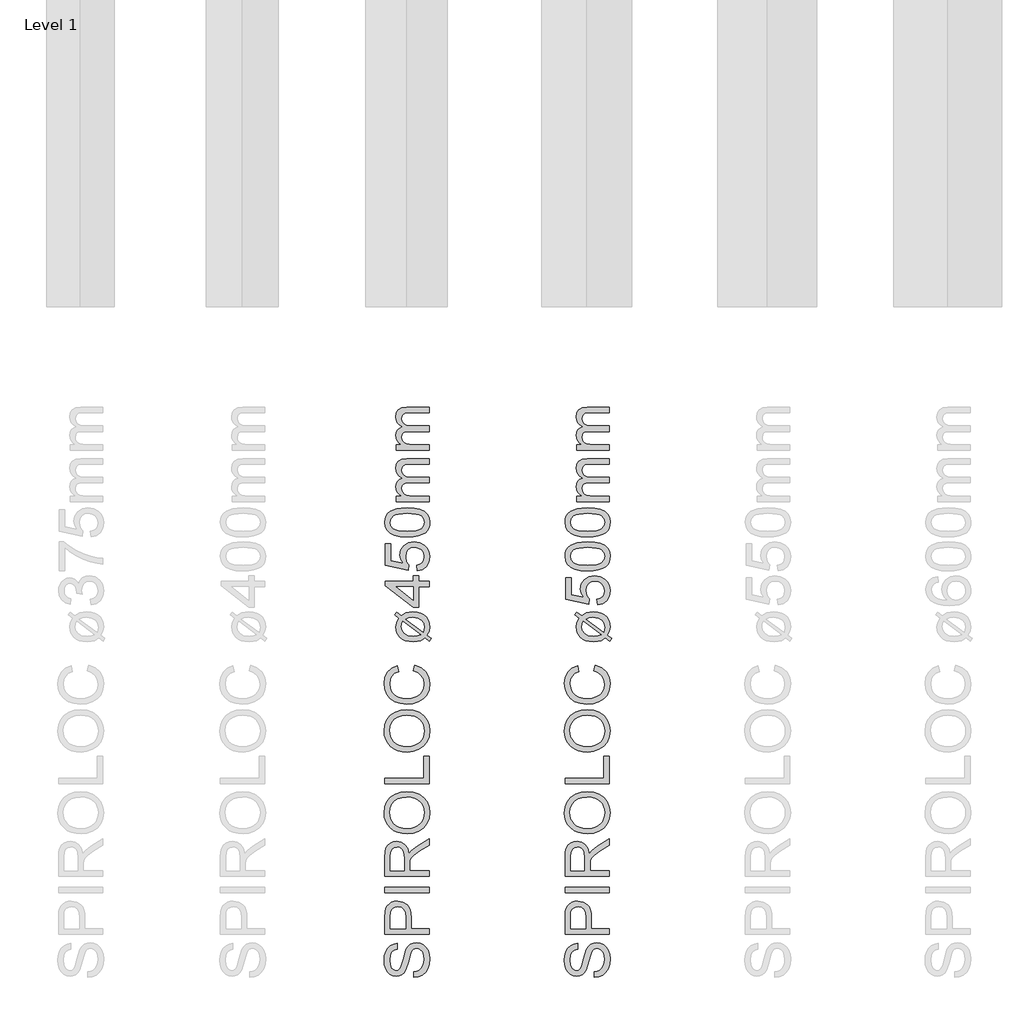
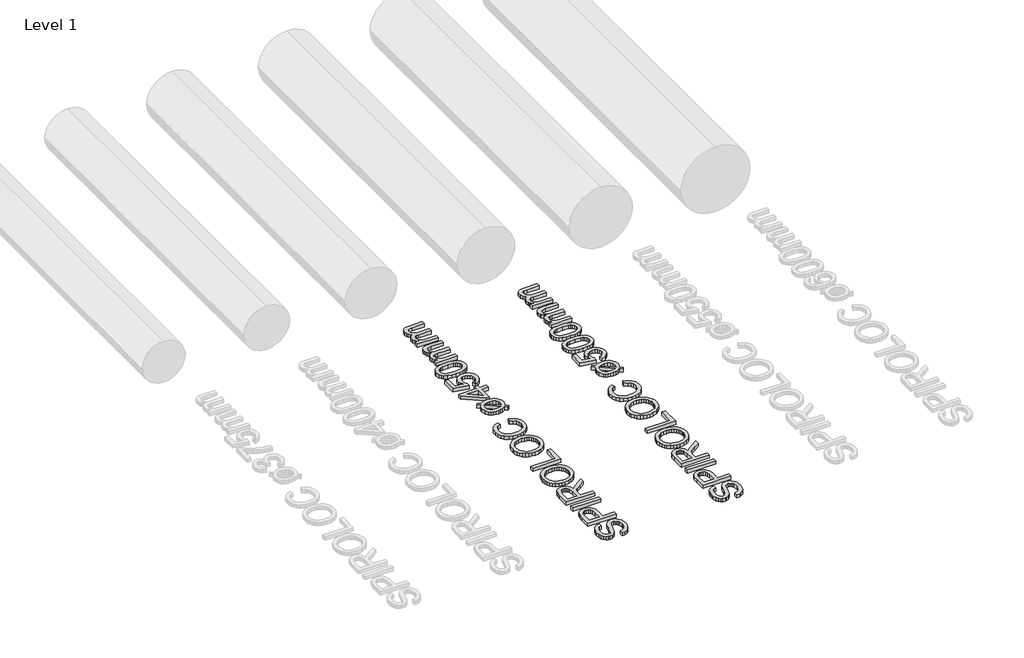
# One storey, part 10 of 19: 2 proxies.
"""IFC4 building model written with IfcOpenShell, lengths in millimetres."""

from ifc_helpers import new_model, si_unit, origin, origin_with_axes, place, context, project, spatial, polyline, outline, extrude, element, save

model = new_model("IFC4")

# Units and contexts
model_context = context("Model", 3, world=origin())
ifc_project = project(units=[si_unit("LENGTHUNIT", "METRE", prefix="MILLI")], contexts=[model_context])

# Site, building, storey
site = spatial("IfcSite", under=ifc_project)
building = spatial("IfcBuilding", under=site)
storey = spatial("IfcBuildingStorey", under=building, Name="Level 1", Elevation=0.0)

# Proxies
placement = place(None, origin())
element("IfcBuildingElementProxy", 1, Name="250mm", ObjectType="250mm", at=placement, inside=storey, context=model_context, shape_type="SweptSolid", body=[
    extrude(outline(polyline([(12325.8043383, -1501.7841772), (12325.8043383, -1471.0149464), (12342.8791581, -1467.4842974), (12356.6036172, -1461.099081), (12367.4960451, -1451.1381435), (12376.074771, -1436.880331), (12381.6411773, -1419.4524464), (12383.496646, -1399.9812926), (12377.8776557, -1367.8298502), (12371.2069826, -1355.6678911), (12362.4329441, -1347.0666291), (12352.3593263, -1341.950944), (12341.7899153, -1340.2457156), (12322.5891941, -1345.3538887), (12314.9945427, -1353.1363406), (12308.6168383, -1366.2673502), (12296.8680403, -1411.0690329), (12281.6937614, -1459.2961964), (12271.3421989, -1474.6132036), (12258.7971268, -1485.4680714), (12244.3289778, -1491.93592), (12228.2081845, -1494.0918695), (12210.1868504, -1491.4251026), (12193.3824633, -1483.4248022), (12179.1396749, -1470.3013046), (12168.8031364, -1452.2649464), (12162.5155763, -1430.615307), (12160.419723, -1406.6519656), (12162.6132326, -1380.6904272), (12169.1937614, -1357.974081), (12180.0260932, -1339.3142252), (12194.9750114, -1325.5221579), (12213.1090258, -1316.7931916), (12233.496646, -1313.3226387), (12233.496646, -1344.0918695), (12215.137271, -1349.7409079), (12201.8860691, -1361.5197541), (12193.8632326, -1379.9242012), (12191.1889537, -1405.4500426), (12193.8331845, -1431.5768454), (12201.7658768, -1449.5005233), (12213.4395547, -1459.8671099), (12227.3067422, -1463.3226387), (12239.1306605, -1460.8737204), (12248.6408768, -1453.5269656), (12257.1444826, -1436.1591772), (12265.8283768, -1403.286581), (12281.2730883, -1348.8394656), (12292.4359489, -1331.2989007), (12306.2129922, -1319.0618214), (12322.4539778, -1311.872819), (12341.0086653, -1309.4764849), (12359.9765138, -1312.2333959), (12377.8175595, -1320.5041291), (12393.1721268, -1333.9506435), (12404.6805403, -1352.2348983), (12411.8695427, -1374.2225786), (12414.2658768, -1398.7793695), (12411.6817422, -1428.9251026), (12403.9293383, -1453.7373022), (12390.9786172, -1473.5014248), (12372.7995307, -1488.5029272), (12350.654098, -1498.1333358), (12325.8043383, -1501.7841772)])), origin_with_axes(), (0.0, 0.0, 1.0), 30.0),
    extrude(outline(polyline([(12410.419723, -1263.3226387), (12164.2658768, -1263.3226387), (12164.2658768, -1172.0966772), (12166.6096268, -1135.317831), (12170.989134, -1118.919093), (12178.1180403, -1105.4199945), (12188.3193624, -1094.5501026), (12201.9161172, -1086.0389849), (12217.9542783, -1080.5401868), (12235.4798191, -1078.7072541), (12264.4912374, -1083.6576748), (12288.6649153, -1098.5089368), (12298.1826436, -1110.4023412), (12304.981021, -1126.2808719), (12309.0600475, -1146.1445287), (12310.419723, -1169.9933118), (12310.419723, -1232.5534079), (12410.419723, -1232.5534079), (12410.419723, -1263.3226387)]), holes=[polyline([(12279.6504922, -1232.5534079), (12279.6504922, -1168.1904272), (12276.825973, -1140.9067733), (12268.3524153, -1122.8779272), (12254.7556605, -1112.8268454), (12236.5615499, -1109.4764849), (12222.7394345, -1111.4521459), (12211.0807807, -1117.3791291), (12202.3067422, -1126.5212565), (12197.138473, -1138.1423502), (12195.0351076, -1168.911581), (12195.0351076, -1232.5534079), (12279.6504922, -1232.5534079)])]), origin_with_axes(), (0.0, 0.0, 1.0), 30.0),
    extrude(outline(polyline([(12410.419723, -1032.5534079), (12164.2658768, -1032.5534079), (12164.2658768, -1001.7841772), (12410.419723, -1001.7841772), (12410.419723, -1032.5534079)])), origin_with_axes(), (0.0, 0.0, 1.0), 30.0),
    extrude(outline(polyline([(12410.419723, -940.2457156), (12164.2658768, -940.2457156), (12164.2658768, -834.1760041), (12165.9260331, -805.6678911), (12170.9065018, -784.927206), (12180.1012133, -769.7679512), (12194.404098, -758.0041291), (12212.1399754, -750.4545498), (12231.6336653, -747.9380233), (12255.8824633, -752.107194), (12275.9846268, -764.614706), (12290.7232085, -785.8361603), (12298.8812614, -816.1471579), (12312.0423191, -798.6591772), (12343.7129922, -773.7192733), (12410.419723, -732.6736002), (12410.419723, -768.4308118), (12359.3980883, -800.4620618), (12325.6240499, -823.599081), (12309.668521, -839.8550906), (12303.809146, -854.4885041), (12302.7274153, -872.3370618), (12302.7274153, -909.4764849), (12410.419723, -909.4764849), (12410.419723, -940.2457156)]), holes=[polyline([(12271.9581845, -909.4764849), (12271.9581845, -840.6062926), (12267.6012133, -805.4800906), (12261.9371508, -793.9266051), (12253.6589057, -785.5281676), (12243.645384, -780.4124825), (12232.7754922, -778.7072541), (12217.7664778, -781.9599584), (12205.6721268, -791.7180714), (12197.6943624, -808.5074344), (12195.0351076, -832.8538887), (12195.0351076, -909.4764849), (12271.9581845, -909.4764849)])]), origin_with_axes(), (0.0, 0.0, 1.0), 30.0),
    extrude(outline(polyline([(12290.5879922, -705.630331), (12261.7155463, -703.5795498), (12236.1559008, -697.427206), (12213.9090559, -687.1732998), (12194.9750114, -672.817831), (12179.8570727, -655.220926), (12169.0585451, -635.2427108), (12162.5794285, -612.8831856), (12160.419723, -588.1423502), (12164.4762133, -555.8556916), (12176.6456845, -526.9043695), (12196.0717662, -502.8659079), (12221.8980883, -485.317831), (12252.8776557, -474.5906676), (12287.763473, -471.0149464), (12323.1150355, -474.778468), (12354.5302999, -486.0690329), (12380.4016941, -504.2631435), (12399.121646, -528.7373022), (12410.4798191, -557.4407276), (12414.2658768, -588.3226387), (12410.0816821, -621.1050906), (12397.529098, -650.2216772), (12377.7424393, -674.2000426), (12351.856021, -691.567831), (12322.0708648, -702.114706), (12290.5879922, -705.630331)]), holes=[polyline([(12290.888473, -674.8611002), (12311.2873612, -673.3230143), (12329.3950835, -668.7087565), (12345.21164, -661.0183268), (12358.7370307, -650.2517252), (12369.5693624, -637.1639097), (12377.3067422, -622.5098382), (12381.9491701, -606.2895107), (12383.496646, -588.5029272), (12381.934146, -570.4121069), (12377.246646, -554.0002228), (12369.434146, -539.2672751), (12358.496646, -526.2132637), (12344.6857987, -515.5255383), (12328.2532566, -507.8914488), (12309.1990198, -503.3109951), (12287.5230883, -501.7841772), (12260.2845066, -504.3983599), (12236.7418383, -512.2409079), (12217.4885331, -525.1089969), (12203.1180403, -542.7998022), (12194.1712254, -564.1414488), (12191.1889537, -587.9620618), (12196.9356484, -621.0600185), (12214.1757326, -649.2000426), (12227.5903209, -660.4267553), (12244.8473071, -668.4458358), (12265.9466911, -673.2572841), (12290.888473, -674.8611002)])]), origin_with_axes(), (0.0, 0.0, 1.0), 30.0),
    extrude(outline(polyline([(12410.419723, -428.7072541), (12164.2658768, -428.7072541), (12164.2658768, -397.9380233), (12379.6504922, -397.9380233), (12379.6504922, -274.8611002), (12410.419723, -274.8611002), (12410.419723, -428.7072541)])), origin_with_axes(), (0.0, 0.0, 1.0), 30.0),
    extrude(outline(polyline([(12290.5879922, -251.7841772), (12261.7155463, -249.7333959), (12236.1559008, -243.5810522), (12213.9090559, -233.3271459), (12194.9750114, -218.9716772), (12179.8570727, -201.3747721), (12169.0585451, -181.396557), (12162.5794285, -159.0370317), (12160.419723, -134.2961964), (12164.4762133, -102.0095377), (12176.6456845, -73.0582156), (12196.0717662, -49.0197541), (12221.8980883, -31.4716772), (12252.8776557, -20.7445137), (12287.763473, -17.1687926), (12323.1150355, -20.9323142), (12354.5302999, -32.2228791), (12380.4016941, -50.4169897), (12399.121646, -74.8911483), (12410.4798191, -103.5945738), (12414.2658768, -134.4764849), (12410.0816821, -167.2589368), (12397.529098, -196.3755233), (12377.7424393, -220.3538887), (12351.856021, -237.7216772), (12322.0708648, -248.2685522), (12290.5879922, -251.7841772)]), holes=[polyline([(12290.888473, -221.0149464), (12311.2873612, -219.4768605), (12329.3950835, -214.8626026), (12345.21164, -207.172173), (12358.7370307, -196.4055714), (12369.5693624, -183.3177559), (12377.3067422, -168.6636844), (12381.9491701, -152.4433569), (12383.496646, -134.6567733), (12381.934146, -116.565953), (12377.246646, -100.154069), (12369.434146, -85.4211213), (12358.496646, -72.3671099), (12344.6857987, -61.6793845), (12328.2532566, -54.045295), (12309.1990198, -49.4648412), (12287.5230883, -47.9380233), (12260.2845066, -50.552206), (12236.7418383, -58.3947541), (12217.4885331, -71.262843), (12203.1180403, -88.9536483), (12194.1712254, -110.295295), (12191.1889537, -134.1159079), (12196.9356484, -167.2138647), (12214.1757326, -195.3538887), (12227.5903209, -206.5806014), (12244.8473071, -214.599682), (12265.9466911, -219.4111303), (12290.888473, -221.0149464)])]), origin_with_axes(), (0.0, 0.0, 1.0), 30.0),
    extrude(outline(polyline([(12322.919723, 198.2158228), (12330.8524153, 228.9850536), (12366.7072831, 214.7873373), (12392.9016941, 192.5066882), (12408.9248311, 163.2398613), (12414.2658768, 128.0836113), (12410.2244105, 92.3940079), (12398.1000114, 64.0511594), (12378.3133528, 42.3263998), (12351.2851076, 26.4910632), (12319.5092662, 16.8230945), (12285.4798191, 13.6004382), (12249.5873912, 17.2437675), (12218.5927999, 28.1737555), (12193.4801196, 45.8194887), (12175.2334249, 69.6100536), (12164.1231484, 97.8251978), (12160.419723, 128.744669), (12165.2123912, 162.4811474), (12179.590396, 190.3732748), (12202.6673191, 211.549657), (12233.5567422, 225.1388998), (12240.888473, 194.369669), (12218.4500715, 183.7026017), (12203.0579441, 169.1292844), (12194.1562013, 150.4694286), (12191.1889537, 127.5427459), (12194.4792182, 101.1154623), (12204.3500114, 79.4057267), (12219.7646749, 62.9318685), (12239.6865499, 52.2122171), (12262.2075835, 46.330306), (12285.419723, 44.369669), (12313.8452037, 46.6908829), (12338.4245307, 53.6545248), (12358.2187013, 65.5235151), (12372.2887133, 82.5607748), (12380.6946629, 102.985955), (12383.496646, 125.0187074), (12379.6805403, 150.7023012), (12368.232223, 172.104044), (12349.2718864, 188.2623974), (12322.919723, 198.2158228)])), origin_with_axes(), (0.0, 0.0, 1.0), 30.0),
    extrude(outline(polyline([(12243.3524153, 490.2831305), (12219.0735691, 508.6725536), (12230.2514537, 523.3360151), (12255.6721268, 504.0451498), (12281.934146, 519.5499574), (12321.1168383, 525.1388998), (12344.6595066, 523.3923553), (12364.8668383, 518.1527219), (12381.7388335, 509.4199995), (12395.2754922, 497.1941882), (12409.5182807, 472.2092123), (12414.2658768, 442.5667844), (12410.2244105, 417.822193), (12398.1000114, 396.1124574), (12421.9581845, 378.0235151), (12411.0206845, 363.119669), (12388.2442422, 380.4273613), (12365.0471268, 366.4249574), (12345.2454441, 361.4219526), (12322.9798191, 359.7542844), (12299.093476, 361.2717123), (12278.7565619, 365.8239959), (12261.9690769, 373.4111353), (12248.731021, 384.0331305), (12231.536009, 410.4303661), (12225.8043383, 441.0643805), (12230.0411172, 466.0042844), (12243.3524153, 490.2831305)]), holes=[polyline([(12265.2274153, 473.6965921), (12258.7370307, 458.3119767), (12256.5735691, 442.2062074), (12260.7277158, 421.9988757), (12273.1901557, 405.3672651), (12293.8707446, 394.2344526), (12322.6793383, 390.5235151), (12345.0952037, 392.6719526), (12363.544723, 399.1172651), (12265.2274153, 473.6965921)]), polyline([(12280.6120307, 485.1749574), (12378.388473, 411.0163036), (12383.496646, 440.5836113), (12379.4326436, 461.9177459), (12367.2406364, 479.1653421), (12346.9356484, 490.5685873), (12318.5327037, 494.369669), (12297.3187614, 492.025919), (12280.6120307, 485.1749574)])]), origin_with_axes(), (0.0, 0.0, 1.0), 30.0),
    extrude(outline(polyline([(12410.419723, 663.6004382), (12352.7274153, 663.6004382), (12352.7274153, 552.0619767), (12321.9581845, 552.0619767), (12168.1120307, 671.2927459), (12168.1120307, 694.369669), (12321.9581845, 694.369669), (12321.9581845, 725.1388998), (12352.7274153, 725.1388998), (12352.7274153, 694.369669), (12410.419723, 694.369669), (12410.419723, 663.6004382)]), holes=[polyline([(12321.9581845, 663.6004382), (12226.8860691, 663.6004382), (12321.9581845, 589.9225536), (12321.9581845, 663.6004382)])]), origin_with_axes(), (0.0, 0.0, 1.0), 30.0),
    extrude(outline(polyline([(12345.0351076, 752.0619767), (12341.1889537, 782.8312074), (12359.661009, 788.4802459), (12372.8896749, 798.3360151), (12380.8449033, 812.353443), (12383.496646, 830.4874574), (12379.8082446, 852.5427459), (12368.7430403, 869.0691882), (12351.5780763, 879.3907026), (12329.590396, 882.8312074), (12308.887271, 879.6085512), (12293.0519345, 869.9405824), (12283.0008528, 853.752181), (12279.6504922, 830.9682267), (12284.9990499, 803.9550055), (12298.8812614, 786.6773613), (12295.0351076, 755.9081305), (12168.1120307, 782.8312074), (12168.1120307, 902.0619767), (12198.8812614, 902.0619767), (12198.8812614, 807.7110151), (12266.669723, 794.5499574), (12253.3283768, 816.5301257), (12248.8812614, 839.5619767), (12254.3950835, 868.3104743), (12270.9365499, 892.1761594), (12296.1468864, 908.2443685), (12327.6673191, 913.6004382), (12358.4365499, 908.7777219), (12384.7586653, 894.3095728), (12397.6680703, 881.5241161), (12406.8890739, 866.6052459), (12412.4216761, 849.5529623), (12414.2658768, 830.3672651), (12409.5257927, 800.1464118), (12395.3055403, 776.0703901), (12373.2577638, 759.5664839), (12345.0351076, 752.0619767)])), origin_with_axes(), (0.0, 0.0, 1.0), 30.0),
    extrude(outline(polyline([(12289.325973, 940.5235151), (12249.9254321, 942.7846329), (12218.5026557, 949.5679863), (12194.5768744, 960.8059671), (12177.6673191, 976.4309671), (12167.6162374, 996.5556666), (12164.2658768, 1021.2927459), (12166.2490499, 1040.2530824), (12172.1985691, 1057.2302459), (12181.8815619, 1071.4279623), (12195.0651557, 1082.0499574), (12231.4834249, 1096.4730344), (12256.6862494, 1100.6647411), (12289.325973, 1102.0619767), (12328.5011533, 1099.8233949), (12359.8488095, 1093.1076498), (12383.7971268, 1081.9372772), (12400.7742903, 1066.3348132), (12410.8929802, 1046.1650416), (12414.2658768, 1021.2927459), (12412.8010331, 1004.3456305), (12408.4065018, 989.3215921), (12401.0822831, 976.2206305), (12390.8283768, 965.0427459), (12372.2924694, 954.3155824), (12349.1967662, 946.6533228), (12321.5412674, 942.0559671), (12289.325973, 940.5235151)]), holes=[polyline([(12289.2658768, 971.2927459), (12337.6658167, 974.8985151), (12354.2204291, 979.4057267), (12365.6781364, 985.7158228), (12379.0420186, 1001.8215921), (12383.496646, 1021.2927459), (12379.0269946, 1040.7638998), (12365.6180403, 1056.869669), (12354.1415529, 1063.1797651), (12337.5906965, 1067.6869767), (12289.2658768, 1071.2927459), (12241.9551797, 1067.807169), (12225.4550295, 1063.4501978), (12213.7250114, 1057.3504382), (12199.7075835, 1041.2747171), (12195.0351076, 1020.932169), (12199.1516941, 1001.6713517), (12211.5014537, 986.1965921), (12224.2718864, 979.6761594), (12241.4894345, 975.0187074), (12289.2658768, 971.2927459)])]), origin_with_axes(), (0.0, 0.0, 1.0), 30.0),
    extrude(outline(polyline([(12410.419723, 1136.6773613), (12229.6504922, 1136.6773613), (12229.6504922, 1167.4465921), (12259.3980883, 1167.4465921), (12245.7337254, 1176.7013998), (12235.029098, 1188.6004382), (12228.1105283, 1202.7380584), (12225.8043383, 1218.7086113), (12228.1556004, 1235.8209911), (12235.2093864, 1249.5379382), (12246.4999513, 1259.7843324), (12261.5615499, 1266.4850536), (12245.9177698, 1277.7004983), (12234.7436412, 1290.4934671), (12228.0391641, 1304.8639599), (12225.8043383, 1320.8119767), (12229.5227879, 1343.9414839), (12240.6781364, 1361.0463517), (12259.5708648, 1371.6157627), (12286.5014537, 1375.1388998), (12410.419723, 1375.1388998), (12410.419723, 1344.369669), (12299.7226076, 1344.369669), (12274.0315018, 1341.5151017), (12261.3812614, 1331.1785632), (12256.5735691, 1313.6004382), (12259.653497, 1296.9312675), (12268.8932807, 1283.3420248), (12284.9239297, 1274.3050656), (12308.3764537, 1271.2927459), (12410.419723, 1271.2927459), (12410.419723, 1240.5235151), (12296.2971268, 1240.5235151), (12278.8992903, 1238.7431666), (12266.4894345, 1233.4021209), (12259.0525355, 1224.0045849), (12256.5735691, 1210.0547651), (12258.2262133, 1198.2007988), (12263.184146, 1187.2783228), (12271.3271749, 1178.2638998), (12282.5351076, 1172.1340921), (12319.2538576, 1167.4465921), (12410.419723, 1167.4465921), (12410.419723, 1136.6773613)])), origin_with_axes(), (0.0, 0.0, 1.0), 30.0),
    extrude(outline(polyline([(12410.419723, 1421.2927459), (12229.6504922, 1421.2927459), (12229.6504922, 1452.0619767), (12259.3980883, 1452.0619767), (12245.7337254, 1461.3167844), (12235.029098, 1473.2158228), (12228.1105283, 1487.353443), (12225.8043383, 1503.3239959), (12228.1556004, 1520.4363757), (12235.2093864, 1534.1533228), (12246.4999513, 1544.3997171), (12261.5615499, 1551.1004382), (12245.9177698, 1562.3158829), (12234.7436412, 1575.1088517), (12228.0391641, 1589.4793445), (12225.8043383, 1605.4273613), (12229.5227879, 1628.5568685), (12240.6781364, 1645.6617363), (12259.5708648, 1656.2311474), (12286.5014537, 1659.7542844), (12410.419723, 1659.7542844), (12410.419723, 1628.9850536), (12299.7226076, 1628.9850536), (12274.0315018, 1626.1304863), (12261.3812614, 1615.7939478), (12256.5735691, 1598.2158228), (12259.653497, 1581.5466522), (12268.8932807, 1567.9574094), (12284.9239297, 1558.9204502), (12308.3764537, 1555.9081305), (12410.419723, 1555.9081305), (12410.419723, 1525.1388998), (12296.2971268, 1525.1388998), (12278.8992903, 1523.3585512), (12266.4894345, 1518.0175055), (12259.0525355, 1508.6199695), (12256.5735691, 1494.6701498), (12258.2262133, 1482.8161834), (12263.184146, 1471.8937074), (12271.3271749, 1462.8792844), (12282.5351076, 1456.7494767), (12319.2538576, 1452.0619767), (12410.419723, 1452.0619767), (12410.419723, 1421.2927459)])), origin_with_axes(), (0.0, 0.0, 1.0), 30.0),
])
element("IfcBuildingElementProxy", 2, Name="250mm", ObjectType="250mm", at=placement, inside=storey, context=model_context, shape_type="SweptSolid", body=[
    extrude(outline(polyline([(13325.8043383, -1501.7841772), (13325.8043383, -1471.0149464), (13342.8791581, -1467.4842974), (13356.6036172, -1461.099081), (13367.4960451, -1451.1381435), (13376.074771, -1436.880331), (13381.6411773, -1419.4524464), (13383.496646, -1399.9812926), (13377.8776557, -1367.8298502), (13371.2069826, -1355.6678911), (13362.4329441, -1347.0666291), (13352.3593263, -1341.950944), (13341.7899153, -1340.2457156), (13322.5891941, -1345.3538887), (13314.9945427, -1353.1363406), (13308.6168383, -1366.2673502), (13296.8680403, -1411.0690329), (13281.6937614, -1459.2961964), (13271.3421989, -1474.6132036), (13258.7971268, -1485.4680714), (13244.3289778, -1491.93592), (13228.2081845, -1494.0918695), (13210.1868504, -1491.4251026), (13193.3824633, -1483.4248022), (13179.1396749, -1470.3013046), (13168.8031364, -1452.2649464), (13162.5155763, -1430.615307), (13160.419723, -1406.6519656), (13162.6132326, -1380.6904272), (13169.1937614, -1357.974081), (13180.0260932, -1339.3142252), (13194.9750114, -1325.5221579), (13213.1090258, -1316.7931916), (13233.496646, -1313.3226387), (13233.496646, -1344.0918695), (13215.137271, -1349.7409079), (13201.8860691, -1361.5197541), (13193.8632326, -1379.9242012), (13191.1889537, -1405.4500426), (13193.8331845, -1431.5768454), (13201.7658768, -1449.5005233), (13213.4395547, -1459.8671099), (13227.3067422, -1463.3226387), (13239.1306605, -1460.8737204), (13248.6408768, -1453.5269656), (13257.1444826, -1436.1591772), (13265.8283768, -1403.286581), (13281.2730883, -1348.8394656), (13292.4359489, -1331.2989007), (13306.2129922, -1319.0618214), (13322.4539778, -1311.872819), (13341.0086653, -1309.4764849), (13359.9765138, -1312.2333959), (13377.8175595, -1320.5041291), (13393.1721268, -1333.9506435), (13404.6805403, -1352.2348983), (13411.8695427, -1374.2225786), (13414.2658768, -1398.7793695), (13411.6817422, -1428.9251026), (13403.9293383, -1453.7373022), (13390.9786172, -1473.5014248), (13372.7995307, -1488.5029272), (13350.654098, -1498.1333358), (13325.8043383, -1501.7841772)])), origin_with_axes(), (0.0, 0.0, 1.0), 30.0),
    extrude(outline(polyline([(13410.419723, -1263.3226387), (13164.2658768, -1263.3226387), (13164.2658768, -1172.0966772), (13166.6096268, -1135.317831), (13170.989134, -1118.919093), (13178.1180403, -1105.4199945), (13188.3193624, -1094.5501026), (13201.9161172, -1086.0389849), (13217.9542783, -1080.5401868), (13235.4798191, -1078.7072541), (13264.4912374, -1083.6576748), (13288.6649153, -1098.5089368), (13298.1826436, -1110.4023412), (13304.981021, -1126.2808719), (13309.0600475, -1146.1445287), (13310.419723, -1169.9933118), (13310.419723, -1232.5534079), (13410.419723, -1232.5534079), (13410.419723, -1263.3226387)]), holes=[polyline([(13279.6504922, -1232.5534079), (13279.6504922, -1168.1904272), (13276.825973, -1140.9067733), (13268.3524153, -1122.8779272), (13254.7556605, -1112.8268454), (13236.5615499, -1109.4764849), (13222.7394345, -1111.4521459), (13211.0807807, -1117.3791291), (13202.3067422, -1126.5212565), (13197.138473, -1138.1423502), (13195.0351076, -1168.911581), (13195.0351076, -1232.5534079), (13279.6504922, -1232.5534079)])]), origin_with_axes(), (0.0, 0.0, 1.0), 30.0),
    extrude(outline(polyline([(13410.419723, -1032.5534079), (13164.2658768, -1032.5534079), (13164.2658768, -1001.7841772), (13410.419723, -1001.7841772), (13410.419723, -1032.5534079)])), origin_with_axes(), (0.0, 0.0, 1.0), 30.0),
    extrude(outline(polyline([(13410.419723, -940.2457156), (13164.2658768, -940.2457156), (13164.2658768, -834.1760041), (13165.9260331, -805.6678911), (13170.9065018, -784.927206), (13180.1012133, -769.7679512), (13194.404098, -758.0041291), (13212.1399754, -750.4545498), (13231.6336653, -747.9380233), (13255.8824633, -752.107194), (13275.9846268, -764.614706), (13290.7232085, -785.8361603), (13298.8812614, -816.1471579), (13312.0423191, -798.6591772), (13343.7129922, -773.7192733), (13410.419723, -732.6736002), (13410.419723, -768.4308118), (13359.3980883, -800.4620618), (13325.6240499, -823.599081), (13309.668521, -839.8550906), (13303.809146, -854.4885041), (13302.7274153, -872.3370618), (13302.7274153, -909.4764849), (13410.419723, -909.4764849), (13410.419723, -940.2457156)]), holes=[polyline([(13271.9581845, -909.4764849), (13271.9581845, -840.6062926), (13267.6012133, -805.4800906), (13261.9371508, -793.9266051), (13253.6589057, -785.5281676), (13243.645384, -780.4124825), (13232.7754922, -778.7072541), (13217.7664778, -781.9599584), (13205.6721268, -791.7180714), (13197.6943624, -808.5074344), (13195.0351076, -832.8538887), (13195.0351076, -909.4764849), (13271.9581845, -909.4764849)])]), origin_with_axes(), (0.0, 0.0, 1.0), 30.0),
    extrude(outline(polyline([(13290.5879922, -705.630331), (13261.7155463, -703.5795498), (13236.1559008, -697.427206), (13213.9090559, -687.1732998), (13194.9750114, -672.817831), (13179.8570727, -655.220926), (13169.0585451, -635.2427108), (13162.5794285, -612.8831856), (13160.419723, -588.1423502), (13164.4762133, -555.8556916), (13176.6456845, -526.9043695), (13196.0717662, -502.8659079), (13221.8980883, -485.317831), (13252.8776557, -474.5906676), (13287.763473, -471.0149464), (13323.1150355, -474.778468), (13354.5302999, -486.0690329), (13380.4016941, -504.2631435), (13399.121646, -528.7373022), (13410.4798191, -557.4407276), (13414.2658768, -588.3226387), (13410.0816821, -621.1050906), (13397.529098, -650.2216772), (13377.7424393, -674.2000426), (13351.856021, -691.567831), (13322.0708648, -702.114706), (13290.5879922, -705.630331)]), holes=[polyline([(13290.888473, -674.8611002), (13311.2873612, -673.3230143), (13329.3950835, -668.7087565), (13345.21164, -661.0183268), (13358.7370307, -650.2517252), (13369.5693624, -637.1639097), (13377.3067422, -622.5098382), (13381.9491701, -606.2895107), (13383.496646, -588.5029272), (13381.934146, -570.4121069), (13377.246646, -554.0002228), (13369.434146, -539.2672751), (13358.496646, -526.2132637), (13344.6857987, -515.5255383), (13328.2532566, -507.8914488), (13309.1990198, -503.3109951), (13287.5230883, -501.7841772), (13260.2845066, -504.3983599), (13236.7418383, -512.2409079), (13217.4885331, -525.1089969), (13203.1180403, -542.7998022), (13194.1712254, -564.1414488), (13191.1889537, -587.9620618), (13196.9356484, -621.0600185), (13214.1757326, -649.2000426), (13227.5903209, -660.4267553), (13244.8473071, -668.4458358), (13265.9466911, -673.2572841), (13290.888473, -674.8611002)])]), origin_with_axes(), (0.0, 0.0, 1.0), 30.0),
    extrude(outline(polyline([(13410.419723, -428.7072541), (13164.2658768, -428.7072541), (13164.2658768, -397.9380233), (13379.6504922, -397.9380233), (13379.6504922, -274.8611002), (13410.419723, -274.8611002), (13410.419723, -428.7072541)])), origin_with_axes(), (0.0, 0.0, 1.0), 30.0),
    extrude(outline(polyline([(13290.5879922, -251.7841772), (13261.7155463, -249.7333959), (13236.1559008, -243.5810522), (13213.9090559, -233.3271459), (13194.9750114, -218.9716772), (13179.8570727, -201.3747721), (13169.0585451, -181.396557), (13162.5794285, -159.0370317), (13160.419723, -134.2961964), (13164.4762133, -102.0095377), (13176.6456845, -73.0582156), (13196.0717662, -49.0197541), (13221.8980883, -31.4716772), (13252.8776557, -20.7445137), (13287.763473, -17.1687926), (13323.1150355, -20.9323142), (13354.5302999, -32.2228791), (13380.4016941, -50.4169897), (13399.121646, -74.8911483), (13410.4798191, -103.5945738), (13414.2658768, -134.4764849), (13410.0816821, -167.2589368), (13397.529098, -196.3755233), (13377.7424393, -220.3538887), (13351.856021, -237.7216772), (13322.0708648, -248.2685522), (13290.5879922, -251.7841772)]), holes=[polyline([(13290.888473, -221.0149464), (13311.2873612, -219.4768605), (13329.3950835, -214.8626026), (13345.21164, -207.172173), (13358.7370307, -196.4055714), (13369.5693624, -183.3177559), (13377.3067422, -168.6636844), (13381.9491701, -152.4433569), (13383.496646, -134.6567733), (13381.934146, -116.565953), (13377.246646, -100.154069), (13369.434146, -85.4211213), (13358.496646, -72.3671099), (13344.6857987, -61.6793845), (13328.2532566, -54.045295), (13309.1990198, -49.4648412), (13287.5230883, -47.9380233), (13260.2845066, -50.552206), (13236.7418383, -58.3947541), (13217.4885331, -71.262843), (13203.1180403, -88.9536483), (13194.1712254, -110.295295), (13191.1889537, -134.1159079), (13196.9356484, -167.2138647), (13214.1757326, -195.3538887), (13227.5903209, -206.5806014), (13244.8473071, -214.599682), (13265.9466911, -219.4111303), (13290.888473, -221.0149464)])]), origin_with_axes(), (0.0, 0.0, 1.0), 30.0),
    extrude(outline(polyline([(13322.919723, 198.2158228), (13330.8524153, 228.9850536), (13366.7072831, 214.7873373), (13392.9016941, 192.5066882), (13408.9248311, 163.2398613), (13414.2658768, 128.0836113), (13410.2244105, 92.3940079), (13398.1000114, 64.0511594), (13378.3133528, 42.3263998), (13351.2851076, 26.4910632), (13319.5092662, 16.8230945), (13285.4798191, 13.6004382), (13249.5873912, 17.2437675), (13218.5927999, 28.1737555), (13193.4801196, 45.8194887), (13175.2334249, 69.6100536), (13164.1231484, 97.8251978), (13160.419723, 128.744669), (13165.2123912, 162.4811474), (13179.590396, 190.3732748), (13202.6673191, 211.549657), (13233.5567422, 225.1388998), (13240.888473, 194.369669), (13218.4500715, 183.7026017), (13203.0579441, 169.1292844), (13194.1562013, 150.4694286), (13191.1889537, 127.5427459), (13194.4792182, 101.1154623), (13204.3500114, 79.4057267), (13219.7646749, 62.9318685), (13239.6865499, 52.2122171), (13262.2075835, 46.330306), (13285.419723, 44.369669), (13313.8452037, 46.6908829), (13338.4245307, 53.6545248), (13358.2187013, 65.5235151), (13372.2887133, 82.5607748), (13380.6946629, 102.985955), (13383.496646, 125.0187074), (13379.6805403, 150.7023012), (13368.232223, 172.104044), (13349.2718864, 188.2623974), (13322.919723, 198.2158228)])), origin_with_axes(), (0.0, 0.0, 1.0), 30.0),
    extrude(outline(polyline([(13243.3524153, 490.2831305), (13219.0735691, 508.6725536), (13230.2514537, 523.3360151), (13255.6721268, 504.0451498), (13281.934146, 519.5499574), (13321.1168383, 525.1388998), (13344.6595066, 523.3923553), (13364.8668383, 518.1527219), (13381.7388335, 509.4199995), (13395.2754922, 497.1941882), (13409.5182807, 472.2092123), (13414.2658768, 442.5667844), (13410.2244105, 417.822193), (13398.1000114, 396.1124574), (13421.9581845, 378.0235151), (13411.0206845, 363.119669), (13388.2442422, 380.4273613), (13365.0471268, 366.4249574), (13345.2454441, 361.4219526), (13322.9798191, 359.7542844), (13299.093476, 361.2717123), (13278.7565619, 365.8239959), (13261.9690769, 373.4111353), (13248.731021, 384.0331305), (13231.536009, 410.4303661), (13225.8043383, 441.0643805), (13230.0411172, 466.0042844), (13243.3524153, 490.2831305)]), holes=[polyline([(13265.2274153, 473.6965921), (13258.7370307, 458.3119767), (13256.5735691, 442.2062074), (13260.7277158, 421.9988757), (13273.1901557, 405.3672651), (13293.8707446, 394.2344526), (13322.6793383, 390.5235151), (13345.0952037, 392.6719526), (13363.544723, 399.1172651), (13265.2274153, 473.6965921)]), polyline([(13280.6120307, 485.1749574), (13378.388473, 411.0163036), (13383.496646, 440.5836113), (13379.4326436, 461.9177459), (13367.2406364, 479.1653421), (13346.9356484, 490.5685873), (13318.5327037, 494.369669), (13297.3187614, 492.025919), (13280.6120307, 485.1749574)])]), origin_with_axes(), (0.0, 0.0, 1.0), 30.0),
    extrude(outline(polyline([(13345.0351076, 563.6004382), (13341.1889537, 594.369669), (13359.661009, 600.0187074), (13372.8896749, 609.8744767), (13380.8449033, 623.8919046), (13383.496646, 642.025919), (13379.8082446, 664.0812074), (13368.7430403, 680.6076498), (13351.5780763, 690.9291642), (13329.590396, 694.369669), (13308.887271, 691.1470127), (13293.0519345, 681.479044), (13283.0008528, 665.2906425), (13279.6504922, 642.5066882), (13284.9990499, 615.4934671), (13298.8812614, 598.2158228), (13295.0351076, 567.4465921), (13168.1120307, 594.369669), (13168.1120307, 713.6004382), (13198.8812614, 713.6004382), (13198.8812614, 619.2494767), (13266.669723, 606.088419), (13253.3283768, 628.0685873), (13248.8812614, 651.1004382), (13254.3950835, 679.8489358), (13270.9365499, 703.7146209), (13296.1468864, 719.78283), (13327.6673191, 725.1388998), (13358.4365499, 720.3161834), (13384.7586653, 705.8480344), (13397.6680703, 693.0625776), (13406.8890739, 678.1437074), (13412.4216761, 661.0914238), (13414.2658768, 641.9057267), (13409.5257927, 611.6848733), (13395.3055403, 587.6088517), (13373.2577638, 571.1049454), (13345.0351076, 563.6004382)])), origin_with_axes(), (0.0, 0.0, 1.0), 30.0),
    extrude(outline(polyline([(13289.325973, 752.0619767), (13249.9254321, 754.3230945), (13218.5026557, 761.1064478), (13194.5768744, 772.3444286), (13177.6673191, 787.9694286), (13167.6162374, 808.0941281), (13164.2658768, 832.8312074), (13166.2490499, 851.791544), (13172.1985691, 868.7687074), (13181.8815619, 882.9664238), (13195.0651557, 893.588419), (13231.4834249, 908.0114959), (13256.6862494, 912.2032026), (13289.325973, 913.6004382), (13328.5011533, 911.3618565), (13359.8488095, 904.6461113), (13383.7971268, 893.4757387), (13400.7742903, 877.8732748), (13410.8929802, 857.7035031), (13414.2658768, 832.8312074), (13412.8010331, 815.8840921), (13408.4065018, 800.8600536), (13401.0822831, 787.7590921), (13390.8283768, 776.5812074), (13372.2924694, 765.854044), (13349.1967662, 758.1917844), (13321.5412674, 753.5944286), (13289.325973, 752.0619767)]), holes=[polyline([(13289.2658768, 782.8312074), (13337.6658167, 786.4369767), (13354.2204291, 790.9441882), (13365.6781364, 797.2542844), (13379.0420186, 813.3600536), (13383.496646, 832.8312074), (13379.0269946, 852.3023613), (13365.6180403, 868.4081305), (13354.1415529, 874.7182267), (13337.5906965, 879.2254382), (13289.2658768, 882.8312074), (13241.9551797, 879.3456305), (13225.4550295, 874.9886594), (13213.7250114, 868.8888998), (13199.7075835, 852.8131786), (13195.0351076, 832.4706305), (13199.1516941, 813.2098132), (13211.5014537, 797.7350536), (13224.2718864, 791.2146209), (13241.4894345, 786.557169), (13289.2658768, 782.8312074)])]), origin_with_axes(), (0.0, 0.0, 1.0), 30.0),
    extrude(outline(polyline([(13289.325973, 940.5235151), (13249.9254321, 942.7846329), (13218.5026557, 949.5679863), (13194.5768744, 960.8059671), (13177.6673191, 976.4309671), (13167.6162374, 996.5556666), (13164.2658768, 1021.2927459), (13166.2490499, 1040.2530824), (13172.1985691, 1057.2302459), (13181.8815619, 1071.4279623), (13195.0651557, 1082.0499574), (13231.4834249, 1096.4730344), (13256.6862494, 1100.6647411), (13289.325973, 1102.0619767), (13328.5011533, 1099.8233949), (13359.8488095, 1093.1076498), (13383.7971268, 1081.9372772), (13400.7742903, 1066.3348132), (13410.8929802, 1046.1650416), (13414.2658768, 1021.2927459), (13412.8010331, 1004.3456305), (13408.4065018, 989.3215921), (13401.0822831, 976.2206305), (13390.8283768, 965.0427459), (13372.2924694, 954.3155824), (13349.1967662, 946.6533228), (13321.5412674, 942.0559671), (13289.325973, 940.5235151)]), holes=[polyline([(13289.2658768, 971.2927459), (13337.6658167, 974.8985151), (13354.2204291, 979.4057267), (13365.6781364, 985.7158228), (13379.0420186, 1001.8215921), (13383.496646, 1021.2927459), (13379.0269946, 1040.7638998), (13365.6180403, 1056.869669), (13354.1415529, 1063.1797651), (13337.5906965, 1067.6869767), (13289.2658768, 1071.2927459), (13241.9551797, 1067.807169), (13225.4550295, 1063.4501978), (13213.7250114, 1057.3504382), (13199.7075835, 1041.2747171), (13195.0351076, 1020.932169), (13199.1516941, 1001.6713517), (13211.5014537, 986.1965921), (13224.2718864, 979.6761594), (13241.4894345, 975.0187074), (13289.2658768, 971.2927459)])]), origin_with_axes(), (0.0, 0.0, 1.0), 30.0),
    extrude(outline(polyline([(13410.419723, 1136.6773613), (13229.6504922, 1136.6773613), (13229.6504922, 1167.4465921), (13259.3980883, 1167.4465921), (13245.7337254, 1176.7013998), (13235.029098, 1188.6004382), (13228.1105283, 1202.7380584), (13225.8043383, 1218.7086113), (13228.1556004, 1235.8209911), (13235.2093864, 1249.5379382), (13246.4999513, 1259.7843324), (13261.5615499, 1266.4850536), (13245.9177698, 1277.7004983), (13234.7436412, 1290.4934671), (13228.0391641, 1304.8639599), (13225.8043383, 1320.8119767), (13229.5227879, 1343.9414839), (13240.6781364, 1361.0463517), (13259.5708648, 1371.6157627), (13286.5014537, 1375.1388998), (13410.419723, 1375.1388998), (13410.419723, 1344.369669), (13299.7226076, 1344.369669), (13274.0315018, 1341.5151017), (13261.3812614, 1331.1785632), (13256.5735691, 1313.6004382), (13259.653497, 1296.9312675), (13268.8932807, 1283.3420248), (13284.9239297, 1274.3050656), (13308.3764537, 1271.2927459), (13410.419723, 1271.2927459), (13410.419723, 1240.5235151), (13296.2971268, 1240.5235151), (13278.8992903, 1238.7431666), (13266.4894345, 1233.4021209), (13259.0525355, 1224.0045849), (13256.5735691, 1210.0547651), (13258.2262133, 1198.2007988), (13263.184146, 1187.2783228), (13271.3271749, 1178.2638998), (13282.5351076, 1172.1340921), (13319.2538576, 1167.4465921), (13410.419723, 1167.4465921), (13410.419723, 1136.6773613)])), origin_with_axes(), (0.0, 0.0, 1.0), 30.0),
    extrude(outline(polyline([(13410.419723, 1421.2927459), (13229.6504922, 1421.2927459), (13229.6504922, 1452.0619767), (13259.3980883, 1452.0619767), (13245.7337254, 1461.3167844), (13235.029098, 1473.2158228), (13228.1105283, 1487.353443), (13225.8043383, 1503.3239959), (13228.1556004, 1520.4363757), (13235.2093864, 1534.1533228), (13246.4999513, 1544.3997171), (13261.5615499, 1551.1004382), (13245.9177698, 1562.3158829), (13234.7436412, 1575.1088517), (13228.0391641, 1589.4793445), (13225.8043383, 1605.4273613), (13229.5227879, 1628.5568685), (13240.6781364, 1645.6617363), (13259.5708648, 1656.2311474), (13286.5014537, 1659.7542844), (13410.419723, 1659.7542844), (13410.419723, 1628.9850536), (13299.7226076, 1628.9850536), (13274.0315018, 1626.1304863), (13261.3812614, 1615.7939478), (13256.5735691, 1598.2158228), (13259.653497, 1581.5466522), (13268.8932807, 1567.9574094), (13284.9239297, 1558.9204502), (13308.3764537, 1555.9081305), (13410.419723, 1555.9081305), (13410.419723, 1525.1388998), (13296.2971268, 1525.1388998), (13278.8992903, 1523.3585512), (13266.4894345, 1518.0175055), (13259.0525355, 1508.6199695), (13256.5735691, 1494.6701498), (13258.2262133, 1482.8161834), (13263.184146, 1471.8937074), (13271.3271749, 1462.8792844), (13282.5351076, 1456.7494767), (13319.2538576, 1452.0619767), (13410.419723, 1452.0619767), (13410.419723, 1421.2927459)])), origin_with_axes(), (0.0, 0.0, 1.0), 30.0),
])

save(model, "model.ifc")
